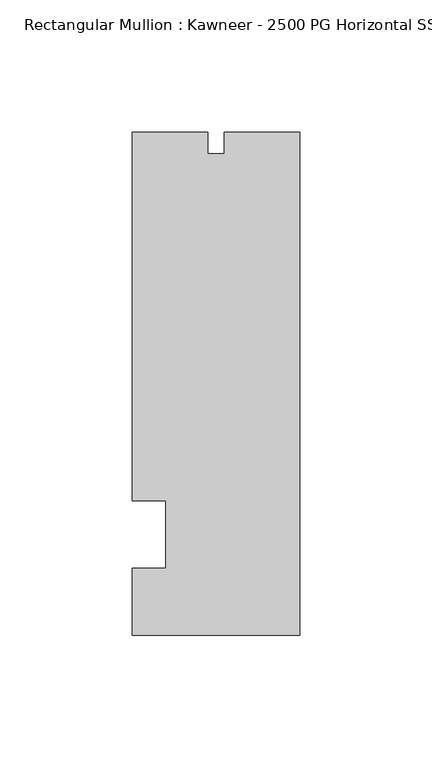
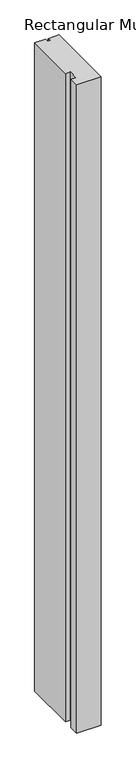
"""IFC4 building model written with IfcOpenShell, lengths in millimetres: member geometry, Rectangular Mullion : Kawneer - 2500 PG Horizontal SSG - Mullion_Jamb R."""

from ifc_helpers import new_model, si_unit, frame, origin, place, context, project, spatial, polyline, outline, extrude, source, transform, mapped, element, save


def rectangular_mullion_kawneer_2500_pg_horizontal_ssg_mullion_f666aeef(model_context):
    return source(origin(), model_context, "Body", "SweptSolid", [
        extrude(outline(polyline([(0.0, -95.25), (-63.5, -95.25), (-63.5, -69.85), (-50.8, -69.85), (-50.8, -44.45), (-63.5, -44.45), (-63.5, 95.25), (-34.925, 95.25), (-34.925, 86.9442), (-28.575, 86.9442), (-28.575, 95.25), (0.0, 95.25), (0.0, -95.25)])), frame((0.0, 0.0, -1793.4600657), z_axis=(0.0, 0.0, 1.0), x_axis=(1.0, 0.0, 0.0)), (0.0, 0.0, 1.0), 1793.4600657),
    ])


if __name__ == "__main__":
    model = new_model("IFC4")
    model_context = context("Model", 3, world=origin())
    ifc_project = project(units=[si_unit("LENGTHUNIT", "METRE", prefix="MILLI")], contexts=[model_context])
    site = spatial("IfcSite", under=ifc_project)
    building = spatial("IfcBuilding", under=site)
    placement = place(None, origin())
    rectangular_mullion_kawneer_2500_pg_horizontal_ssg_mullion_shape = rectangular_mullion_kawneer_2500_pg_horizontal_ssg_mullion_f666aeef(model_context)
    element("IfcMember", 1, ObjectType="Rectangular Mullion : Kawneer - 2500 PG Horizontal SSG - Mullion_Jamb R", at=placement, inside=building, context=model_context, shape_type="MappedRepresentation", body=[
        mapped(rectangular_mullion_kawneer_2500_pg_horizontal_ssg_mullion_shape, transform((0.0, 0.0, 0.0), x_axis=(1.0, 0.0, 0.0), y_axis=(0.0, 1.0, 0.0), z_axis=(0.0, 0.0, 1.0))),
    ])
    save(model, "model.ifc")
